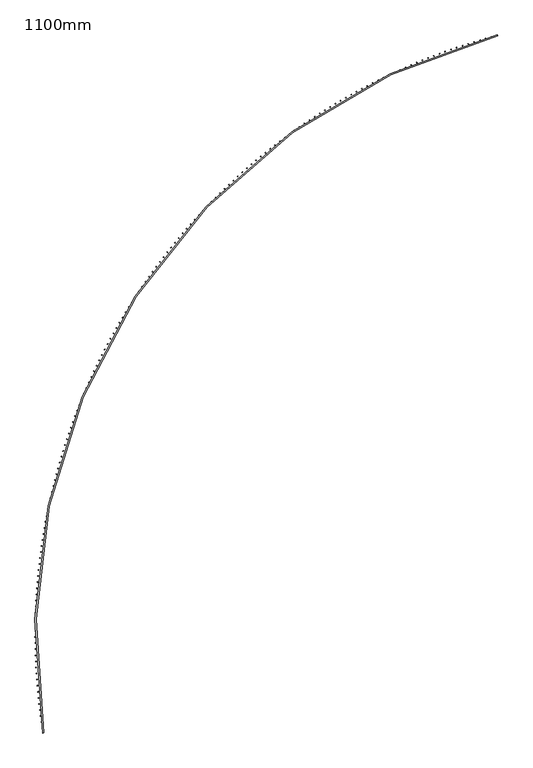
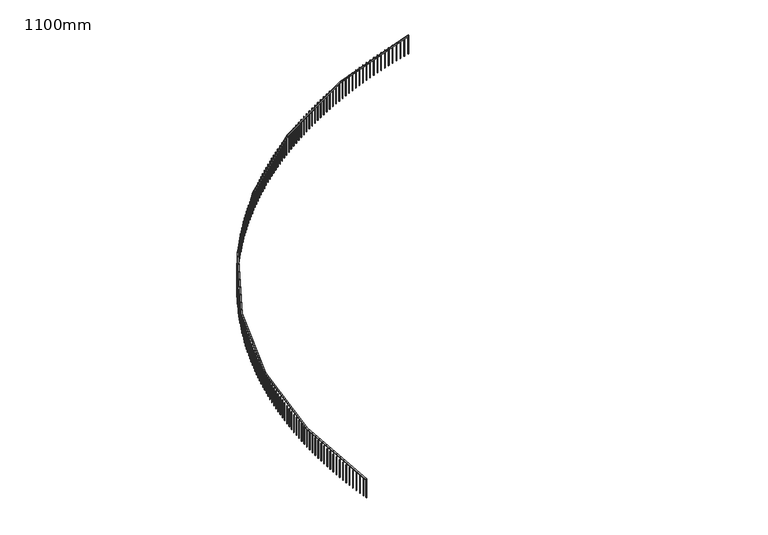
"""IFC4 building model written with IfcOpenShell, lengths in millimetres: railing geometry, 1100mm."""

from ifc_helpers import new_model, si_unit, point, frame, frame_2d, origin, place, context, project, spatial, polyline, circle_curve, trimmed, segment, composite_curve, outline, extrude, source, transform, mapped, element, save


def railing_1100mm_a15e1106(model_context):
    return source(origin(), model_context, "Body", "SweptSolid", [
        extrude(outline(composite_curve([segment(trimmed(circle_curve(frame_2d((-8776.2169486, -53857.0322819)), 27971.5412014), [point((-36394.0287338, -58291.3968787))], [point((-15853.428822, -26795.6171438))], False, "CARTESIAN"), True, "CONTINUOUS"), segment(polyline([(-15853.428822, -26795.6171438), (-15840.7780857, -26843.9902651)]), True, "CONTINUOUS"), segment(trimmed(circle_curve(frame_2d((-8776.2169486, -53857.0322819)), 27921.5412014), [point((-15840.7780857, -26843.9902651))], [point((-36344.6610361, -58283.4703141))], True, "CARTESIAN"), True, "CONTINUOUS"), segment(polyline([(-36344.6610361, -58283.4703141), (-36394.0287338, -58291.3968787)]), True, "CONTINUOUS")], self_intersect=False)), frame((0.0, 0.0, 15650.0), z_axis=(0.0, 0.0, 1.0), x_axis=(1.0, 0.0, 0.0)), (0.0, 0.0, 1.0), 50.0),
        extrude(outline(polyline([(-36418.1953524, -58055.742926), (-36393.4805423, -58051.9775357), (-36389.7151521, -58076.6923458), (-36414.4299622, -58080.4577361), (-36418.1953524, -58055.742926)])), frame((0.0, 0.0, 14600.0), z_axis=(0.0, 0.0, 1.0), x_axis=(1.0, 0.0, 0.0)), (0.0, 0.0, 1.0), 1050.0),
        extrude(outline(polyline([(-36458.1726315, -57783.5410007), (-36433.4219663, -57780.0189879), (-36429.8999535, -57804.7696531), (-36454.6506187, -57808.2916659), (-36458.1726315, -57783.5410007)])), frame((0.0, 0.0, 14600.0), z_axis=(0.0, 0.0, 1.0), x_axis=(1.0, 0.0, 0.0)), (0.0, 0.0, 1.0), 1050.0),
        extrude(outline(polyline([(-36495.4694926, -57510.9588753), (-36470.685369, -57507.6805809), (-36467.4070746, -57532.4647046), (-36492.1911983, -57535.7429989), (-36495.4694926, -57510.9588753)])), frame((0.0, 0.0, 14600.0), z_axis=(0.0, 0.0, 1.0), x_axis=(1.0, 0.0, 0.0)), (0.0, 0.0, 1.0), 1050.0),
        extrude(outline(polyline([(-36530.0823244, -57238.0229435), (-36505.267142, -57234.9886851), (-36502.2328836, -57259.8038674), (-36527.0480659, -57262.8381258), (-36530.0823244, -57238.0229435)])), frame((0.0, 0.0, 14600.0), z_axis=(0.0, 0.0, 1.0), x_axis=(1.0, 0.0, 0.0)), (0.0, 0.0, 1.0), 1050.0),
        extrude(outline(polyline([(-36562.0077752, -56964.7596335), (-36537.1639369, -56961.9697048), (-36534.3740082, -56986.8135431), (-36559.2178464, -56989.6034718), (-36562.0077752, -56964.7596335)])), frame((0.0, 0.0, 14600.0), z_axis=(0.0, 0.0, 1.0), x_axis=(1.0, 0.0, 0.0)), (0.0, 0.0, 1.0), 1050.0),
        extrude(outline(polyline([(-36591.2427537, -56691.1954053), (-36566.3726652, -56688.6500764), (-36563.8273364, -56713.5201649), (-36588.6974249, -56716.0654937), (-36591.2427537, -56691.1954053)])), frame((0.0, 0.0, 14600.0), z_axis=(0.0, 0.0, 1.0), x_axis=(1.0, 0.0, 0.0)), (0.0, 0.0, 1.0), 1050.0),
        extrude(outline(polyline([(-36617.7844292, -56417.3567476), (-36592.8904987, -56415.0562651), (-36590.5900161, -56439.9501957), (-36615.4839467, -56442.2506782), (-36617.7844292, -56417.3567476)])), frame((0.0, 0.0, 14600.0), z_axis=(0.0, 0.0, 1.0), x_axis=(1.0, 0.0, 0.0)), (0.0, 0.0, 1.0), 1050.0),
        extrude(outline(polyline([(-36641.6302317, -56143.2701761), (-36616.7148695, -56141.2147626), (-36614.659456, -56166.1301249), (-36639.5748183, -56168.1855383), (-36641.6302317, -56143.2701761)])), frame((0.0, 0.0, 14600.0), z_axis=(0.0, 0.0, 1.0), x_axis=(1.0, 0.0, 0.0)), (0.0, 0.0, 1.0), 1050.0),
        extrude(outline(polyline([(-36662.7778522, -55868.9622303), (-36637.8434709, -55867.152085), (-36636.0333255, -55892.0864663), (-36660.9677069, -55893.8966117), (-36662.7778522, -55868.9622303)])), frame((0.0, 0.0, 14600.0), z_axis=(0.0, 0.0, 1.0), x_axis=(1.0, 0.0, 0.0)), (0.0, 0.0, 1.0), 1050.0),
        extrude(outline(polyline([(-36681.225243, -55594.4594712), (-36656.2742569, -55592.8947693), (-36654.7095549, -55617.8457554), (-36679.660541, -55619.4104573), (-36681.225243, -55594.4594712)])), frame((0.0, 0.0, 14600.0), z_axis=(0.0, 0.0, 1.0), x_axis=(1.0, 0.0, 0.0)), (0.0, 0.0, 1.0), 1050.0),
        extrude(outline(polyline([(-36696.9706178, -55319.7884787), (-36672.005443, -55318.4693716), (-36670.6863359, -55343.4345465), (-36695.6515107, -55344.7536536), (-36696.9706178, -55319.7884787)])), frame((0.0, 0.0, 14600.0), z_axis=(0.0, 0.0, 1.0), x_axis=(1.0, 0.0, 0.0)), (0.0, 0.0, 1.0), 1050.0),
        extrude(outline(polyline([(-36710.0124521, -55044.9758488), (-36685.0355058, -55043.9024644), (-36683.9621213, -55068.8794106), (-36708.9390676, -55069.9527951), (-36710.0124521, -55044.9758488)])), frame((0.0, 0.0, 14600.0), z_axis=(0.0, 0.0, 1.0), x_axis=(1.0, 0.0, 0.0)), (0.0, 0.0, 1.0), 1050.0),
        extrude(outline(polyline([(-36720.349483, -54770.0481915), (-36695.3631838, -54769.2206336), (-36694.5356258, -54794.2069328), (-36719.521925, -54795.0344907), (-36720.349483, -54770.0481915)])), frame((0.0, 0.0, 14600.0), z_axis=(0.0, 0.0, 1.0), x_axis=(1.0, 0.0, 0.0)), (0.0, 0.0, 1.0), 1050.0),
        extrude(outline(polyline([(-36727.9807095, -54495.0321277), (-36702.9874768, -54494.4504765), (-36702.4058255, -54519.4437092), (-36727.3990583, -54520.0253604), (-36727.9807095, -54495.0321277)])), frame((0.0, 0.0, 14600.0), z_axis=(0.0, 0.0, 1.0), x_axis=(1.0, 0.0, 0.0)), (0.0, 0.0, 1.0), 1050.0),
        extrude(outline(polyline([(-36732.9053928, -54219.954287), (-36707.9076467, -54219.6185987), (-36707.5719584, -54244.6163449), (-36732.5697046, -54244.9520331), (-36732.9053928, -54219.954287)])), frame((0.0, 0.0, 14600.0), z_axis=(0.0, 0.0, 1.0), x_axis=(1.0, 0.0, 0.0)), (0.0, 0.0, 1.0), 1050.0),
        extrude(outline(polyline([(-36735.123056, -53944.8413048), (-36710.1232169, -53944.7516121), (-36710.0335242, -53969.7514512), (-36735.0333633, -53969.8411439), (-36735.123056, -53944.8413048)])), frame((0.0, 0.0, 14600.0), z_axis=(0.0, 0.0, 1.0), x_axis=(1.0, 0.0, 0.0)), (0.0, 0.0, 1.0), 1050.0),
        extrude(outline(polyline([(-36734.6334844, -53669.7198202), (-36709.6339731, -53669.8761317), (-36709.7902845, -53694.875643), (-36734.7897959, -53694.7193316), (-36734.6334844, -53669.7198202)])), frame((0.0, 0.0, 14600.0), z_axis=(0.0, 0.0, 1.0), x_axis=(1.0, 0.0, 0.0)), (0.0, 0.0, 1.0), 1050.0),
        extrude(outline(polyline([(-36731.4367254, -53394.6164729), (-36706.4399625, -53395.0187734), (-36706.842263, -53420.0155363), (-36731.8390259, -53419.6132358), (-36731.4367254, -53394.6164729)])), frame((0.0, 0.0, 14600.0), z_axis=(0.0, 0.0, 1.0), x_axis=(1.0, 0.0, 0.0)), (0.0, 0.0, 1.0), 1050.0),
        extrude(outline(polyline([(-36725.5330885, -53119.5579009), (-36700.5414945, -53120.2061515), (-36701.189745, -53145.1977455), (-36726.181339, -53144.5494949), (-36725.5330885, -53119.5579009)])), frame((0.0, 0.0, 14600.0), z_axis=(0.0, 0.0, 1.0), x_axis=(1.0, 0.0, 0.0)), (0.0, 0.0, 1.0), 1050.0),
        extrude(outline(polyline([(-36716.9231453, -52844.5707378), (-36691.9391401, -52845.4648758), (-36692.833278, -52870.448881), (-36717.8172832, -52869.5547431), (-36716.9231453, -52844.5707378)])), frame((0.0, 0.0, 14600.0), z_axis=(0.0, 0.0, 1.0), x_axis=(1.0, 0.0, 0.0)), (0.0, 0.0, 1.0), 1050.0),
        extrude(outline(polyline([(-36705.6077296, -52569.6816105), (-36680.6337323, -52570.8215491), (-36681.773671, -52595.7955464), (-36706.7476683, -52594.6556078), (-36705.6077296, -52569.6816105)])), frame((0.0, 0.0, 14600.0), z_axis=(0.0, 0.0, 1.0), x_axis=(1.0, 0.0, 0.0)), (0.0, 0.0, 1.0), 1050.0),
        extrude(outline(polyline([(-36691.587937, -52294.9171361), (-36666.6263659, -52296.3027651), (-36668.0119949, -52321.2643362), (-36692.973566, -52319.8787072), (-36691.587937, -52294.9171361)])), frame((0.0, 0.0, 14600.0), z_axis=(0.0, 0.0, 1.0), x_axis=(1.0, 0.0, 0.0)), (0.0, 0.0, 1.0), 1050.0),
        extrude(outline(polyline([(-36674.865125, -52020.3039199), (-36649.9183971, -52021.9351051), (-36651.5495823, -52046.881833), (-36676.4963103, -52045.2506478), (-36674.865125, -52020.3039199)])), frame((0.0, 0.0, 14600.0), z_axis=(0.0, 0.0, 1.0), x_axis=(1.0, 0.0, 0.0)), (0.0, 0.0, 1.0), 1050.0),
        extrude(outline(polyline([(-36655.440913, -51745.8685523), (-36630.5114438, -51747.7451358), (-36632.3880273, -51772.674605), (-36657.3174965, -51770.7980215), (-36655.440913, -51745.8685523)])), frame((0.0, 0.0, 14600.0), z_axis=(0.0, 0.0, 1.0), x_axis=(1.0, 0.0, 0.0)), (0.0, 0.0, 1.0), 1050.0),
        extrude(outline(polyline([(-36633.3171816, -51471.6376068), (-36608.4073851, -51473.7594068), (-36610.5291851, -51498.6692034), (-36635.4389817, -51496.5474034), (-36633.3171816, -51471.6376068)])), frame((0.0, 0.0, 14600.0), z_axis=(0.0, 0.0, 1.0), x_axis=(1.0, 0.0, 0.0)), (0.0, 0.0, 1.0), 1050.0),
        extrude(outline(polyline([(-36608.4960732, -51197.6376368), (-36583.6083613, -51200.004448), (-36585.9751724, -51224.8921599), (-36610.8628843, -51222.5253488), (-36608.4960732, -51197.6376368)])), frame((0.0, 0.0, 14600.0), z_axis=(0.0, 0.0, 1.0), x_axis=(1.0, 0.0, 0.0)), (0.0, 0.0, 1.0), 1050.0),
        extrude(outline(polyline([(-36580.9799912, -50923.8951736), (-36556.1167737, -50926.5067666), (-36558.7283668, -50951.3699841), (-36583.5915842, -50948.758391), (-36580.9799912, -50923.8951736)])), frame((0.0, 0.0, 14600.0), z_axis=(0.0, 0.0, 1.0), x_axis=(1.0, 0.0, 0.0)), (0.0, 0.0, 1.0), 1050.0),
        extrude(outline(polyline([(-36550.7715998, -50650.4367232), (-36525.9352843, -50653.2928453), (-36528.7914064, -50678.1291608), (-36553.6277219, -50675.2730387), (-36550.7715998, -50650.4367232)])), frame((0.0, 0.0, 14600.0), z_axis=(0.0, 0.0, 1.0), x_axis=(1.0, 0.0, 0.0)), (0.0, 0.0, 1.0), 1050.0),
        extrude(outline(polyline([(-36517.8738242, -50377.2887645), (-36493.0668155, -50380.3891391), (-36496.1671901, -50405.1961478), (-36520.9741988, -50402.0957732), (-36517.8738242, -50377.2887645)])), frame((0.0, 0.0, 14600.0), z_axis=(0.0, 0.0, 1.0), x_axis=(1.0, 0.0, 0.0)), (0.0, 0.0, 1.0), 1050.0),
        extrude(outline(polyline([(-36482.2898498, -50104.4777462), (-36457.51455, -50107.822073), (-36460.8588769, -50132.5973728), (-36485.6341766, -50129.2530459), (-36482.2898498, -50104.4777462)])), frame((0.0, 0.0, 14600.0), z_axis=(0.0, 0.0, 1.0), x_axis=(1.0, 0.0, 0.0)), (0.0, 0.0, 1.0), 1050.0),
        extrude(outline(polyline([(-36444.0231222, -49832.0300842), (-36419.2819303, -49835.6180395), (-36422.8698856, -49860.3592314), (-36447.6110775, -49856.7712761), (-36444.0231222, -49832.0300842)])), frame((0.0, 0.0, 14600.0), z_axis=(0.0, 0.0, 1.0), x_axis=(1.0, 0.0, 0.0)), (0.0, 0.0, 1.0), 1050.0),
        extrude(outline(polyline([(-36403.0773466, -49559.9721594), (-36378.3726583, -49563.8033957), (-36382.2038946, -49588.5080841), (-36406.908583, -49584.6768478), (-36403.0773466, -49559.9721594)])), frame((0.0, 0.0, 14600.0), z_axis=(0.0, 0.0, 1.0), x_axis=(1.0, 0.0, 0.0)), (0.0, 0.0, 1.0), 1050.0),
        extrude(outline(polyline([(-36359.456488, -49288.330315), (-36334.7906952, -49292.4044614), (-36338.8648416, -49317.0702541), (-36363.5306344, -49312.9961077), (-36359.456488, -49288.330315)])), frame((0.0, 0.0, 14600.0), z_axis=(0.0, 0.0, 1.0), x_axis=(1.0, 0.0, 0.0)), (0.0, 0.0, 1.0), 1050.0),
        extrude(outline(polyline([(-36313.1647699, -49017.1308537), (-36288.5402612, -49021.4475156), (-36292.8569232, -49046.0720243), (-36317.4814319, -49041.7553624), (-36313.1647699, -49017.1308537)])), frame((0.0, 0.0, 14600.0), z_axis=(0.0, 0.0, 1.0), x_axis=(1.0, 0.0, 0.0)), (0.0, 0.0, 1.0), 1050.0),
        extrude(outline(polyline([(-36264.2066749, -48746.4000355), (-36239.6258345, -48750.958795), (-36244.1845941, -48775.5396354), (-36268.7654344, -48770.9808758), (-36264.2066749, -48746.4000355)])), frame((0.0, 0.0, 14600.0), z_axis=(0.0, 0.0, 1.0), x_axis=(1.0, 0.0, 0.0)), (0.0, 0.0, 1.0), 1050.0),
        extrude(outline(polyline([(-36212.5869434, -48476.1640751), (-36188.0521516, -48480.9644908), (-36192.8525673, -48505.4992826), (-36217.3873591, -48500.6988669), (-36212.5869434, -48476.1640751)])), frame((0.0, 0.0, 14600.0), z_axis=(0.0, 0.0, 1.0), x_axis=(1.0, 0.0, 0.0)), (0.0, 0.0, 1.0), 1050.0),
        extrude(outline(polyline([(-36158.3105737, -48206.4491392), (-36133.8242061, -48211.4907462), (-36138.8658132, -48235.9771138), (-36163.3521808, -48230.9355068), (-36158.3105737, -48206.4491392)])), frame((0.0, 0.0, 14600.0), z_axis=(0.0, 0.0, 1.0), x_axis=(1.0, 0.0, 0.0)), (0.0, 0.0, 1.0), 1050.0),
        extrude(outline(polyline([(-36101.3828215, -47937.2813439), (-36076.9472491, -47942.5636541), (-36082.2295593, -47966.9992265), (-36106.6651317, -47961.7169163), (-36101.3828215, -47937.2813439)])), frame((0.0, 0.0, 14600.0), z_axis=(0.0, 0.0, 1.0), x_axis=(1.0, 0.0, 0.0)), (0.0, 0.0, 1.0), 1050.0),
        extrude(outline(polyline([(-36041.8091989, -47668.6867527), (-36017.4267878, -47674.2092546), (-36022.9492897, -47698.5916657), (-36047.3317008, -47693.0691638), (-36041.8091989, -47668.6867527)])), frame((0.0, 0.0, 14600.0), z_axis=(0.0, 0.0, 1.0), x_axis=(1.0, 0.0, 0.0)), (0.0, 0.0, 1.0), 1050.0),
        extrude(outline(polyline([(-35979.5954744, -47400.6913731), (-35955.2685855, -47406.453532), (-35961.0307443, -47430.7804209), (-35985.3576333, -47425.0182621), (-35979.5954744, -47400.6913731)])), frame((0.0, 0.0, 14600.0), z_axis=(0.0, 0.0, 1.0), x_axis=(1.0, 0.0, 0.0)), (0.0, 0.0, 1.0), 1050.0),
        extrude(outline(polyline([(-35914.7476721, -47133.3211551), (-35890.4786609, -47139.3224129), (-35896.4799188, -47163.5914241), (-35920.74893, -47157.5901662), (-35914.7476721, -47133.3211551)])), frame((0.0, 0.0, 14600.0), z_axis=(0.0, 0.0, 1.0), x_axis=(1.0, 0.0, 0.0)), (0.0, 0.0, 1.0), 1050.0),
        extrude(outline(polyline([(-35847.2720712, -46866.6019877), (-35823.0632877, -46872.8417634), (-35829.3030635, -46897.0505469), (-35853.511847, -46890.8107712), (-35847.2720712, -46866.6019877)])), frame((0.0, 0.0, 14600.0), z_axis=(0.0, 0.0, 1.0), x_axis=(1.0, 0.0, 0.0)), (0.0, 0.0, 1.0), 1050.0),
        extrude(outline(polyline([(-35777.1752052, -46600.5596971), (-35753.0289935, -46607.0373866), (-35759.506683, -46631.1835983), (-35783.6528947, -46624.7059088), (-35777.1752052, -46600.5596971)])), frame((0.0, 0.0, 14600.0), z_axis=(0.0, 0.0, 1.0), x_axis=(1.0, 0.0, 0.0)), (0.0, 0.0, 1.0), 1050.0),
        extrude(outline(polyline([(-35704.4638616, -46335.2200441), (-35680.3825598, -46341.9350201), (-35687.0975358, -46366.0163219), (-35711.1788376, -46359.3013459), (-35704.4638616, -46335.2200441)])), frame((0.0, 0.0, 14600.0), z_axis=(0.0, 0.0, 1.0), x_axis=(1.0, 0.0, 0.0)), (0.0, 0.0, 1.0), 1050.0),
        extrude(outline(polyline([(-35629.1450809, -46070.6087211), (-35605.1310208, -46077.5603334), (-35612.082633, -46101.5743936), (-35636.0966932, -46094.6227813), (-35629.1450809, -46070.6087211)])), frame((0.0, 0.0, 14600.0), z_axis=(0.0, 0.0, 1.0), x_axis=(1.0, 0.0, 0.0)), (0.0, 0.0, 1.0), 1050.0),
        extrude(outline(polyline([(-35551.2261563, -45806.7513503), (-35527.281663, -45813.9389257), (-35534.4692384, -45837.883419), (-35558.4137317, -45830.6958436), (-35551.2261563, -45806.7513503)])), frame((0.0, 0.0, 14600.0), z_axis=(0.0, 0.0, 1.0), x_axis=(1.0, 0.0, 0.0)), (0.0, 0.0, 1.0), 1050.0),
        extrude(outline(polyline([(-35470.7146324, -45543.6734806), (-35446.8420245, -45551.0963232), (-35454.2648671, -45574.9689311), (-35478.137475, -45567.5460885), (-35470.7146324, -45543.6734806)])), frame((0.0, 0.0, 14600.0), z_axis=(0.0, 0.0, 1.0), x_axis=(1.0, 0.0, 0.0)), (0.0, 0.0, 1.0), 1050.0),
        extrude(outline(polyline([(-35387.6183052, -45281.4005858), (-35363.8198943, -45289.0579768), (-35371.4772853, -45312.8563878), (-35395.2756963, -45305.1989967), (-35387.6183052, -45281.4005858)])), frame((0.0, 0.0, 14600.0), z_axis=(0.0, 0.0, 1.0), x_axis=(1.0, 0.0, 0.0)), (0.0, 0.0, 1.0), 1050.0),
        extrude(outline(polyline([(-35301.9452208, -45019.9580614), (-35278.2233112, -45027.8492594), (-35286.1145093, -45051.571169), (-35309.8364188, -45043.6799709), (-35301.9452208, -45019.9580614)])), frame((0.0, 0.0, 14600.0), z_axis=(0.0, 0.0, 1.0), x_axis=(1.0, 0.0, 0.0)), (0.0, 0.0, 1.0), 1050.0),
        extrude(outline(polyline([(-35213.7036748, -44759.3712226), (-35190.0605636, -44767.4954635), (-35198.1848045, -44791.1385748), (-35221.8279158, -44783.0143338), (-35213.7036748, -44759.3712226)])), frame((0.0, 0.0, 14600.0), z_axis=(0.0, 0.0, 1.0), x_axis=(1.0, 0.0, 0.0)), (0.0, 0.0, 1.0), 1050.0),
        extrude(outline(polyline([(-35122.9022117, -44499.6653019), (-35099.3401881, -44508.0217991), (-35107.6966853, -44531.5838226), (-35131.2587088, -44523.2273254), (-35122.9022117, -44499.6653019)])), frame((0.0, 0.0, 14600.0), z_axis=(0.0, 0.0, 1.0), x_axis=(1.0, 0.0, 0.0)), (0.0, 0.0, 1.0), 1050.0),
        extrude(outline(polyline([(-35029.5496235, -44240.8654463), (-35006.0709691, -44249.4533906), (-35014.6589133, -44272.932045), (-35038.1375678, -44264.3441007), (-35029.5496235, -44240.8654463)])), frame((0.0, 0.0, 14600.0), z_axis=(0.0, 0.0, 1.0), x_axis=(1.0, 0.0, 0.0)), (0.0, 0.0, 1.0), 1050.0),
        extrude(outline(polyline([(-34933.6549496, -43982.9967152), (-34910.2619378, -43991.815275), (-34919.0804975, -44015.2082868), (-34942.4735094, -44006.389727), (-34933.6549496, -43982.9967152)])), frame((0.0, 0.0, 14600.0), z_axis=(0.0, 0.0, 1.0), x_axis=(1.0, 0.0, 0.0)), (0.0, 0.0, 1.0), 1050.0),
        extrude(outline(polyline([(-34835.2274753, -43726.0840777), (-34811.9223712, -43735.1323991), (-34820.9706926, -43758.4375033), (-34844.2757968, -43749.3891819), (-34835.2274753, -43726.0840777)])), frame((0.0, 0.0, 14600.0), z_axis=(0.0, 0.0, 1.0), x_axis=(1.0, 0.0, 0.0)), (0.0, 0.0, 1.0), 1050.0),
        extrude(outline(polyline([(-34734.2767314, -43470.1524105), (-34711.0617915, -43479.4296174), (-34720.3389984, -43502.6445573), (-34743.5539383, -43493.3673504), (-34734.2767314, -43470.1524105)])), frame((0.0, 0.0, 14600.0), z_axis=(0.0, 0.0, 1.0), x_axis=(1.0, 0.0, 0.0)), (0.0, 0.0, 1.0), 1050.0),
        extrude(outline(polyline([(-34630.8124927, -43215.2264953), (-34607.689965, -43224.7316893), (-34617.1951591, -43247.854217), (-34640.3176868, -43238.3490229), (-34630.8124927, -43215.2264953)])), frame((0.0, 0.0, 14600.0), z_axis=(0.0, 0.0, 1.0), x_axis=(1.0, 0.0, 0.0)), (0.0, 0.0, 1.0), 1050.0),
        extrude(outline(polyline([(-34524.8447776, -42961.3310161), (-34501.8169011, -42971.063277), (-34511.5491619, -42994.0911535), (-34534.5770385, -42984.3588927), (-34524.8447776, -42961.3310161)])), frame((0.0, 0.0, 14600.0), z_axis=(0.0, 0.0, 1.0), x_axis=(1.0, 0.0, 0.0)), (0.0, 0.0, 1.0), 1050.0),
        extrude(outline(polyline([(-34416.3838469, -42708.4905576), (-34393.4528512, -42718.4489429), (-34403.4112365, -42741.3799386), (-34426.3422322, -42731.4215532), (-34416.3838469, -42708.4905576)])), frame((0.0, 0.0, 14600.0), z_axis=(0.0, 0.0, 1.0), x_axis=(1.0, 0.0, 0.0)), (0.0, 0.0, 1.0), 1050.0),
        extrude(outline(polyline([(-34305.4402026, -42456.729602), (-34282.6083083, -42466.9131475), (-34292.7918538, -42489.7450418), (-34315.6237481, -42479.5614963), (-34305.4402026, -42456.729602)])), frame((0.0, 0.0, 14600.0), z_axis=(0.0, 0.0, 1.0), x_axis=(1.0, 0.0, 0.0)), (0.0, 0.0, 1.0), 1050.0),
        extrude(outline(polyline([(-34192.0245875, -42206.072527), (-34169.2940052, -42216.4802466), (-34179.7017248, -42239.2108289), (-34202.4323071, -42228.8031093), (-34192.0245875, -42206.072527)])), frame((0.0, 0.0, 14600.0), z_axis=(0.0, 0.0, 1.0), x_axis=(1.0, 0.0, 0.0)), (0.0, 0.0, 1.0), 1050.0),
        extrude(outline(polyline([(-34076.1479834, -41956.5436036), (-34053.5209142, -41967.1744896), (-34064.1518001, -41989.8015589), (-34086.7788694, -41979.1706729), (-34076.1479834, -41956.5436036)])), frame((0.0, 0.0, 14600.0), z_axis=(0.0, 0.0, 1.0), x_axis=(1.0, 0.0, 0.0)), (0.0, 0.0, 1.0), 1050.0),
        extrude(outline(polyline([(-33957.8216106, -41708.1669935), (-33935.3002453, -41719.0200164), (-33946.1532683, -41741.5413817), (-33968.6746335, -41730.6883588), (-33957.8216106, -41708.1669935)])), frame((0.0, 0.0, 14600.0), z_axis=(0.0, 0.0, 1.0), x_axis=(1.0, 0.0, 0.0)), (0.0, 0.0, 1.0), 1050.0),
        extrude(outline(polyline([(-33837.0569265, -41460.9667467), (-33814.6434459, -41472.0408557), (-33825.7175549, -41494.4543362), (-33848.1310355, -41483.3802272), (-33837.0569265, -41460.9667467)])), frame((0.0, 0.0, 14600.0), z_axis=(0.0, 0.0, 1.0), x_axis=(1.0, 0.0, 0.0)), (0.0, 0.0, 1.0), 1050.0),
        extrude(outline(polyline([(-33713.8656245, -41214.9667993), (-33691.562199, -41226.2609221), (-33702.8563218, -41248.5643476), (-33725.1597473, -41237.2702249), (-33713.8656245, -41214.9667993)])), frame((0.0, 0.0, 14600.0), z_axis=(0.0, 0.0, 1.0), x_axis=(1.0, 0.0, 0.0)), (0.0, 0.0, 1.0), 1050.0),
        extrude(outline(polyline([(-33588.2596333, -40970.1909714), (-33566.0684224, -40981.7040144), (-33577.5814654, -41003.8952253), (-33599.7726763, -40992.3821823), (-33588.2596333, -40970.1909714)])), frame((0.0, 0.0, 14600.0), z_axis=(0.0, 0.0, 1.0), x_axis=(1.0, 0.0, 0.0)), (0.0, 0.0, 1.0), 1050.0),
        extrude(outline(polyline([(-33460.2511151, -40726.6629643), (-33438.1742676, -40738.3938127), (-33449.9051159, -40760.4706602), (-33471.9819634, -40748.7398118), (-33460.2511151, -40726.6629643)])), frame((0.0, 0.0, 14600.0), z_axis=(0.0, 0.0, 1.0), x_axis=(1.0, 0.0, 0.0)), (0.0, 0.0, 1.0), 1050.0),
        extrude(outline(polyline([(-33329.8524649, -40484.4063586), (-33307.8921184, -40496.3538765), (-33319.8396362, -40518.314223), (-33341.7999827, -40506.3667051), (-33329.8524649, -40484.4063586)])), frame((0.0, 0.0, 14600.0), z_axis=(0.0, 0.0, 1.0), x_axis=(1.0, 0.0, 0.0)), (0.0, 0.0, 1.0), 1050.0),
        extrude(outline(polyline([(-33197.076309, -40243.4446119), (-33175.23459, -40255.6076424), (-33187.3976205, -40277.4493614), (-33209.2393395, -40265.2863309), (-33197.076309, -40243.4446119)])), frame((0.0, 0.0, 14600.0), z_axis=(0.0, 0.0, 1.0), x_axis=(1.0, 0.0, 0.0)), (0.0, 0.0, 1.0), 1050.0),
        extrude(outline(polyline([(-33061.9355041, -40003.8010561), (-33040.2145274, -40016.1784215), (-33052.5918928, -40037.8993982), (-33074.3128694, -40025.5220328), (-33061.9355041, -40003.8010561)])), frame((0.0, 0.0, 14600.0), z_axis=(0.0, 0.0, 1.0), x_axis=(1.0, 0.0, 0.0)), (0.0, 0.0, 1.0), 1050.0),
        extrude(outline(polyline([(-32924.4431356, -39765.4988959), (-32902.8450046, -39778.0893976), (-32915.4355063, -39799.6875287), (-32937.0336374, -39787.0970269), (-32924.4431356, -39765.4988959)])), frame((0.0, 0.0, 14600.0), z_axis=(0.0, 0.0, 1.0), x_axis=(1.0, 0.0, 0.0)), (0.0, 0.0, 1.0), 1050.0),
        extrude(outline(polyline([(-32784.6125169, -39528.5612056), (-32763.1393228, -39541.3636247), (-32775.9417419, -39562.8368188), (-32797.414936, -39550.0343998), (-32784.6125169, -39528.5612056)])), frame((0.0, 0.0, 14600.0), z_axis=(0.0, 0.0, 1.0), x_axis=(1.0, 0.0, 0.0)), (0.0, 0.0, 1.0), 1050.0),
        extrude(outline(polyline([(-32642.4571877, -39293.0109279), (-32621.1110097, -39306.0240246), (-32634.1241064, -39327.3702026), (-32655.4702844, -39314.3571059), (-32642.4571877, -39293.0109279)])), frame((0.0, 0.0, 14600.0), z_axis=(0.0, 0.0, 1.0), x_axis=(1.0, 0.0, 0.0)), (0.0, 0.0, 1.0), 1050.0),
        extrude(outline(polyline([(-32497.9909126, -39058.8708708), (-32476.7738177, -39072.0933851), (-32489.996332, -39093.31048), (-32511.2134269, -39080.0879657), (-32497.9909126, -39058.8708708)])), frame((0.0, 0.0, 14600.0), z_axis=(0.0, 0.0, 1.0), x_axis=(1.0, 0.0, 0.0)), (0.0, 0.0, 1.0), 1050.0),
        extrude(outline(polyline([(-32351.2276803, -38826.1637059), (-32330.1417229, -38839.5943574), (-32343.5723745, -38860.6803148), (-32364.6583318, -38847.2496633), (-32351.2276803, -38826.1637059)])), frame((0.0, 0.0, 14600.0), z_axis=(0.0, 0.0, 1.0), x_axis=(1.0, 0.0, 0.0)), (0.0, 0.0, 1.0), 1050.0),
        extrude(outline(polyline([(-32202.1817017, -38594.911966), (-32181.2289235, -38608.5494543), (-32194.8664118, -38629.5022324), (-32215.81919, -38615.8647441), (-32202.1817017, -38594.911966)])), frame((0.0, 0.0, 14600.0), z_axis=(0.0, 0.0, 1.0), x_axis=(1.0, 0.0, 0.0)), (0.0, 0.0, 1.0), 1050.0),
        extrude(outline(polyline([(-32050.8674087, -38365.1380429), (-32030.0498386, -38378.9810475), (-32043.8928432, -38399.7986176), (-32064.7104133, -38385.955613), (-32050.8674087, -38365.1380429)])), frame((0.0, 0.0, 14600.0), z_axis=(0.0, 0.0, 1.0), x_axis=(1.0, 0.0, 0.0)), (0.0, 0.0, 1.0), 1050.0),
        extrude(outline(polyline([(-31897.2994529, -38136.8641856), (-31876.6191067, -38150.9113661), (-31890.6662872, -38171.5917123), (-31911.3466334, -38157.5445318), (-31897.2994529, -38136.8641856)])), frame((0.0, 0.0, 14600.0), z_axis=(0.0, 0.0, 1.0), x_axis=(1.0, 0.0, 0.0)), (0.0, 0.0, 1.0), 1050.0),
        extrude(outline(polyline([(-31741.4927044, -37910.1124975), (-31720.9515844, -37924.3624937), (-31735.2015806, -37944.9036136), (-31755.7427005, -37930.6536174), (-31741.4927044, -37910.1124975)])), frame((0.0, 0.0, 14600.0), z_axis=(0.0, 0.0, 1.0), x_axis=(1.0, 0.0, 0.0)), (0.0, 0.0, 1.0), 1050.0),
        extrude(outline(polyline([(-31583.4622495, -37684.9049347), (-31563.0623448, -37699.3563668), (-31577.5137769, -37719.7562715), (-31597.9136816, -37705.3048394), (-31583.4622495, -37684.9049347)])), frame((0.0, 0.0, 14600.0), z_axis=(0.0, 0.0, 1.0), x_axis=(1.0, 0.0, 0.0)), (0.0, 0.0, 1.0), 1050.0),
        extrude(outline(polyline([(-31423.2233904, -37461.263304), (-31402.9666763, -37475.9147727), (-31417.6181449, -37496.1714868), (-31437.874859, -37481.5200181), (-31423.2233904, -37461.263304)])), frame((0.0, 0.0, 14600.0), z_axis=(0.0, 0.0, 1.0), x_axis=(1.0, 0.0, 0.0)), (0.0, 0.0, 1.0), 1050.0),
        extrude(outline(polyline([(-31260.7916427, -37239.2092603), (-31240.6800806, -37254.0593469), (-31255.5301671, -37274.170909), (-31275.6417292, -37259.3208224), (-31260.7916427, -37239.2092603)])), frame((0.0, 0.0, 14600.0), z_axis=(0.0, 0.0, 1.0), x_axis=(1.0, 0.0, 0.0)), (0.0, 0.0, 1.0), 1050.0),
        extrude(outline(polyline([(-31096.1827346, -37018.764305), (-31076.2182719, -37033.8115715), (-31091.2655383, -37053.7760342), (-31111.2300011, -37038.7287677), (-31096.1827346, -37018.764305)])), frame((0.0, 0.0, 14600.0), z_axis=(0.0, 0.0, 1.0), x_axis=(1.0, 0.0, 0.0)), (0.0, 0.0, 1.0), 1050.0),
        extrude(outline(polyline([(-30929.412605, -36799.9497834), (-30909.5971748, -36815.1927729), (-30924.8401642, -36835.008203), (-30944.6555944, -36819.7652136), (-30929.412605, -36799.9497834)])), frame((0.0, 0.0, 14600.0), z_axis=(0.0, 0.0, 1.0), x_axis=(1.0, 0.0, 0.0)), (0.0, 0.0, 1.0), 1050.0),
        extrude(outline(polyline([(-30760.4974021, -36582.7868833), (-30740.8329231, -36598.2241197), (-30756.2701596, -36617.8885986), (-30775.9346385, -36602.4513622), (-30760.4974021, -36582.7868833)])), frame((0.0, 0.0, 14600.0), z_axis=(0.0, 0.0, 1.0), x_axis=(1.0, 0.0, 0.0)), (0.0, 0.0, 1.0), 1050.0),
        extrude(outline(polyline([(-30589.4534818, -36367.2966322), (-30569.9418582, -36382.9266208), (-30585.5718468, -36402.4382444), (-30605.0834704, -36386.8082558), (-30589.4534818, -36367.2966322)])), frame((0.0, 0.0, 14600.0), z_axis=(0.0, 0.0, 1.0), x_axis=(1.0, 0.0, 0.0)), (0.0, 0.0, 1.0), 1050.0),
        extrude(outline(polyline([(-30416.2974061, -36153.499896), (-30396.9405272, -36169.3211234), (-30412.7617546, -36188.6780023), (-30432.1186335, -36172.8567749), (-30416.2974061, -36153.499896)])), frame((0.0, 0.0, 14600.0), z_axis=(0.0, 0.0, 1.0), x_axis=(1.0, 0.0, 0.0)), (0.0, 0.0, 1.0), 1050.0),
        extrude(outline(polyline([(-30241.0459417, -35941.4173762), (-30221.8456816, -35957.4283105), (-30237.8566158, -35976.6285705), (-30257.0568759, -35960.6176363), (-30241.0459417, -35941.4173762)])), frame((0.0, 0.0, 14600.0), z_axis=(0.0, 0.0, 1.0), x_axis=(1.0, 0.0, 0.0)), (0.0, 0.0, 1.0), 1050.0),
        extrude(outline(polyline([(-30063.7160578, -35731.0696088), (-30044.6742758, -35747.2686995), (-30060.8733665, -35766.3104815), (-30079.9151485, -35750.1113908), (-30063.7160578, -35731.0696088)])), frame((0.0, 0.0, 14600.0), z_axis=(0.0, 0.0, 1.0), x_axis=(1.0, 0.0, 0.0)), (0.0, 0.0, 1.0), 1050.0),
        extrude(outline(polyline([(-29884.3249252, -35522.4769615), (-29865.4434651, -35538.8626402), (-29881.8291438, -35557.7441002), (-29900.7106039, -35541.3584216), (-29884.3249252, -35522.4769615)])), frame((0.0, 0.0, 14600.0), z_axis=(0.0, 0.0, 1.0), x_axis=(1.0, 0.0, 0.0)), (0.0, 0.0, 1.0), 1050.0),
        extrude(outline(polyline([(-29702.8899142, -35315.6596321), (-29684.1706043, -35332.2303121), (-29700.7412843, -35350.949622), (-29719.4605942, -35334.378942), (-29702.8899142, -35315.6596321)])), frame((0.0, 0.0, 14600.0), z_axis=(0.0, 0.0, 1.0), x_axis=(1.0, 0.0, 0.0)), (0.0, 0.0, 1.0), 1050.0),
        extrude(outline(polyline([(-29519.428593, -35110.6376465), (-29500.8732457, -35127.3917233), (-29517.6273226, -35145.9470705), (-29536.1826698, -35129.1929937), (-29519.428593, -35110.6376465)])), frame((0.0, 0.0, 14600.0), z_axis=(0.0, 0.0, 1.0), x_axis=(1.0, 0.0, 0.0)), (0.0, 0.0, 1.0), 1050.0),
        extrude(outline(polyline([(-29333.9587258, -34907.4308568), (-29315.5691381, -34924.3667082), (-29332.5049894, -34942.756296), (-29350.8945772, -34925.8204446), (-29333.9587258, -34907.4308568)])), frame((0.0, 0.0, 14600.0), z_axis=(0.0, 0.0, 1.0), x_axis=(1.0, 0.0, 0.0)), (0.0, 0.0, 1.0), 1050.0),
        extrude(outline(polyline([(-29146.4982718, -34706.0589394), (-29128.276224, -34723.1749254), (-29145.39221, -34741.3969731), (-29163.6142578, -34724.2809871), (-29146.4982718, -34706.0589394)])), frame((0.0, 0.0, 14600.0), z_axis=(0.0, 0.0, 1.0), x_axis=(1.0, 0.0, 0.0)), (0.0, 0.0, 1.0), 1050.0),
        extrude(outline(polyline([(-28957.0653823, -34506.5413929), (-28939.0126391, -34523.8358562), (-28956.3071024, -34541.8885995), (-28974.3598456, -34524.5941361), (-28957.0653823, -34506.5413929)])), frame((0.0, 0.0, 14600.0), z_axis=(0.0, 0.0, 1.0), x_axis=(1.0, 0.0, 0.0)), (0.0, 0.0, 1.0), 1050.0),
        extrude(outline(polyline([(-28765.6784001, -34308.8975364), (-28747.7967094, -34326.3688025), (-28765.2679755, -34344.2504932), (-28783.1496662, -34326.7792271), (-28765.6784001, -34308.8975364)])), frame((0.0, 0.0, 14600.0), z_axis=(0.0, 0.0, 1.0), x_axis=(1.0, 0.0, 0.0)), (0.0, 0.0, 1.0), 1050.0),
        extrude(outline(polyline([(-28572.355857, -34113.1465076), (-28554.6469503, -34130.7928846), (-28572.2933273, -34148.5017913), (-28590.002234, -34130.8554143), (-28572.355857, -34113.1465076)])), frame((0.0, 0.0, 14600.0), z_axis=(0.0, 0.0, 1.0), x_axis=(1.0, 0.0, 0.0)), (0.0, 0.0, 1.0), 1050.0),
        extrude(outline(polyline([(-28377.1164722, -33919.3072608), (-28359.5820642, -33937.1270402), (-28377.4018435, -33954.6614482), (-28394.9362515, -33936.8416688), (-28377.1164722, -33919.3072608)])), frame((0.0, 0.0, 14600.0), z_axis=(0.0, 0.0, 1.0), x_axis=(1.0, 0.0, 0.0)), (0.0, 0.0, 1.0), 1050.0),
        extrude(outline(polyline([(-28179.9791505, -33727.3985654), (-28162.6209391, -33745.3900216), (-28180.6123953, -33762.748233), (-28197.9706067, -33744.7567768), (-28179.9791505, -33727.3985654)])), frame((0.0, 0.0, 14600.0), z_axis=(0.0, 0.0, 1.0), x_axis=(1.0, 0.0, 0.0)), (0.0, 0.0, 1.0), 1050.0),
        extrude(outline(polyline([(-27980.9629806, -33537.4390036), (-27963.7826466, -33555.6003946), (-27981.9440375, -33572.7807286), (-27999.1243716, -33554.6193377), (-27980.9629806, -33537.4390036)])), frame((0.0, 0.0, 14600.0), z_axis=(0.0, 0.0, 1.0), x_axis=(1.0, 0.0, 0.0)), (0.0, 0.0, 1.0), 1050.0),
        extrude(outline(polyline([(-27780.0872331, -33349.4469692), (-27763.0864399, -33367.7765363), (-27781.4160071, -33384.7773295), (-27798.4168002, -33366.4477623), (-27780.0872331, -33349.4469692)])), frame((0.0, 0.0, 14600.0), z_axis=(0.0, 0.0, 1.0), x_axis=(1.0, 0.0, 0.0)), (0.0, 0.0, 1.0), 1050.0),
        extrude(outline(polyline([(-27577.3713585, -33163.4406651), (-27560.5517524, -33181.9366336), (-27579.0477209, -33198.7562397), (-27595.867327, -33180.2602712), (-27577.3713585, -33163.4406651)])), frame((0.0, 0.0, 14600.0), z_axis=(0.0, 0.0, 1.0), x_axis=(1.0, 0.0, 0.0)), (0.0, 0.0, 1.0), 1050.0),
        extrude(outline(polyline([(-27372.8349857, -32979.4381022), (-27356.1981953, -32998.0986811), (-27374.8587742, -33014.7354715), (-27391.4955646, -32996.0748926), (-27372.8349857, -32979.4381022)])), frame((0.0, 0.0, 14600.0), z_axis=(0.0, 0.0, 1.0), x_axis=(1.0, 0.0, 0.0)), (0.0, 0.0, 1.0), 1050.0),
        extrude(outline(polyline([(-27166.4979196, -32797.4570973), (-27150.0455558, -32816.2804797), (-27168.8689383, -32832.7328435), (-27185.321302, -32813.9094611), (-27166.4979196, -32797.4570973)])), frame((0.0, 0.0, 14600.0), z_axis=(0.0, 0.0, 1.0), x_axis=(1.0, 0.0, 0.0)), (0.0, 0.0, 1.0), 1050.0),
        extrude(outline(polyline([(-26958.3801398, -32617.5152714), (-26942.1137957, -32636.4996347), (-26961.098159, -32652.7659788), (-26977.3645031, -32633.7816155), (-26958.3801398, -32617.5152714)])), frame((0.0, 0.0, 14600.0), z_axis=(0.0, 0.0, 1.0), x_axis=(1.0, 0.0, 0.0)), (0.0, 0.0, 1.0), 1050.0),
        extrude(outline(polyline([(-26748.5017981, -32439.6300482), (-26732.4230487, -32458.7735542), (-26751.5665547, -32474.8523035), (-26767.645304, -32455.7087975), (-26748.5017981, -32439.6300482)])), frame((0.0, 0.0, 14600.0), z_axis=(0.0, 0.0, 1.0), x_axis=(1.0, 0.0, 0.0)), (0.0, 0.0, 1.0), 1050.0),
        extrude(outline(polyline([(-26536.8832167, -32263.8186521), (-26520.993619, -32283.119447), (-26540.294414, -32299.0090447), (-26556.1840116, -32279.7082498), (-26536.8832167, -32263.8186521)])), frame((0.0, 0.0, 14600.0), z_axis=(0.0, 0.0, 1.0), x_axis=(1.0, 0.0, 0.0)), (0.0, 0.0, 1.0), 1050.0),
        extrude(outline(polyline([(-26323.5448866, -32090.0981067), (-26307.8459791, -32109.5543218), (-26327.3021942, -32125.2532293), (-26343.0011017, -32105.7970142), (-26323.5448866, -32090.0981067)])), frame((0.0, 0.0, 14600.0), z_axis=(0.0, 0.0, 1.0), x_axis=(1.0, 0.0, 0.0)), (0.0, 0.0, 1.0), 1050.0),
        extrude(outline(polyline([(-26108.5074651, -31918.4852333), (-26093.0007679, -31938.0949846), (-26112.6105192, -31953.6016817), (-26128.1172163, -31933.9919305), (-26108.5074651, -31918.4852333)])), frame((0.0, 0.0, 14600.0), z_axis=(0.0, 0.0, 1.0), x_axis=(1.0, 0.0, 0.0)), (0.0, 0.0, 1.0), 1050.0),
        extrude(outline(polyline([(-25891.791774, -31748.996649), (-25876.4787887, -31768.7580376), (-25896.2401773, -31784.071023), (-25911.5531626, -31764.3096344), (-25891.791774, -31748.996649)])), frame((0.0, 0.0, 14600.0), z_axis=(0.0, 0.0, 1.0), x_axis=(1.0, 0.0, 0.0)), (0.0, 0.0, 1.0), 1050.0),
        extrude(outline(polyline([(-25673.4187978, -31581.6487652), (-25658.301007, -31601.5598777), (-25678.2121196, -31616.6776685), (-25693.3299103, -31596.766556), (-25673.4187978, -31581.6487652)])), frame((0.0, 0.0, 14600.0), z_axis=(0.0, 0.0, 1.0), x_axis=(1.0, 0.0, 0.0)), (0.0, 0.0, 1.0), 1050.0),
        extrude(outline(polyline([(-25453.4096813, -31416.457786), (-25438.4885489, -31436.5166944), (-25458.5474574, -31451.4378268), (-25473.4685897, -31431.3789183), (-25453.4096813, -31416.457786)])), frame((0.0, 0.0, 14600.0), z_axis=(0.0, 0.0, 1.0), x_axis=(1.0, 0.0, 0.0)), (0.0, 0.0, 1.0), 1050.0),
        extrude(outline(polyline([(-25231.7857277, -31253.4397067), (-25217.0626985, -31273.6444688), (-25237.2674606, -31288.367498), (-25251.9904898, -31268.1627359), (-25231.7857277, -31253.4397067)])), frame((0.0, 0.0, 14600.0), z_axis=(0.0, 0.0, 1.0), x_axis=(1.0, 0.0, 0.0)), (0.0, 0.0, 1.0), 1050.0),
        extrude(outline(polyline([(-25008.5683967, -31092.6103122), (-24994.0448964, -31112.9589716), (-25014.3935558, -31127.4824719), (-25028.9170561, -31107.1338126), (-25008.5683967, -31092.6103122)])), frame((0.0, 0.0, 14600.0), z_axis=(0.0, 0.0, 1.0), x_axis=(1.0, 0.0, 0.0)), (0.0, 0.0, 1.0), 1050.0),
        extrude(outline(polyline([(-24783.7793023, -30933.9851755), (-24769.4567371, -30954.4757618), (-24789.9473233, -30968.798327), (-24804.2698886, -30948.3077407), (-24783.7793023, -30933.9851755)])), frame((0.0, 0.0, 14600.0), z_axis=(0.0, 0.0, 1.0), x_axis=(1.0, 0.0, 0.0)), (0.0, 0.0, 1.0), 1050.0),
        extrude(outline(polyline([(-24557.4402105, -30777.5796561), (-24543.3199673, -30798.2101852), (-24563.9504963, -30812.3304284), (-24578.0707396, -30791.6998994), (-24557.4402105, -30777.5796561)])), frame((0.0, 0.0, 14600.0), z_axis=(0.0, 0.0, 1.0), x_axis=(1.0, 0.0, 0.0)), (0.0, 0.0, 1.0), 1050.0),
        extrude(outline(polyline([(-24329.5730376, -30623.4088986), (-24315.6564835, -30644.1773728), (-24336.4249578, -30658.0939269), (-24350.3415119, -30637.3254526), (-24329.5730376, -30623.4088986)])), frame((0.0, 0.0, 14600.0), z_axis=(0.0, 0.0, 1.0), x_axis=(1.0, 0.0, 0.0)), (0.0, 0.0, 1.0), 1050.0),
        extrude(outline(polyline([(-24100.1998477, -30471.4878312), (-24086.4883304, -30492.3922396), (-24107.3927388, -30506.1037569), (-24121.1042562, -30485.1993485), (-24100.1998477, -30471.4878312)])), frame((0.0, 0.0, 14600.0), z_axis=(0.0, 0.0, 1.0), x_axis=(1.0, 0.0, 0.0)), (0.0, 0.0, 1.0), 1050.0),
        extrude(outline(polyline([(-23869.3428508, -30321.8311642), (-23855.8376979, -30342.8694827), (-23876.8760164, -30356.3746356), (-23890.3811693, -30335.3363171), (-23869.3428508, -30321.8311642)])), frame((0.0, 0.0, 14600.0), z_axis=(0.0, 0.0, 1.0), x_axis=(1.0, 0.0, 0.0)), (0.0, 0.0, 1.0), 1050.0),
        extrude(outline(polyline([(-23637.0244006, -30174.4533889), (-23623.7269198, -30195.6235803), (-23644.8971112, -30208.9210611), (-23658.194592, -30187.7508697), (-23637.0244006, -30174.4533889)])), frame((0.0, 0.0, 14600.0), z_axis=(0.0, 0.0, 1.0), x_axis=(1.0, 0.0, 0.0)), (0.0, 0.0, 1.0), 1050.0),
        extrude(outline(polyline([(-23403.2669923, -30029.3687756), (-23390.1784711, -30050.66879), (-23411.4784856, -30063.7573111), (-23424.5670067, -30042.4572967), (-23403.2669923, -30029.3687756)])), frame((0.0, 0.0, 14600.0), z_axis=(0.0, 0.0, 1.0), x_axis=(1.0, 0.0, 0.0)), (0.0, 0.0, 1.0), 1050.0),
        extrude(outline(polyline([(-23168.0932603, -29886.5913728), (-23155.2149662, -29908.0191478), (-23176.6427412, -29920.8974418), (-23189.5210353, -29899.4696668), (-23168.0932603, -29886.5913728)])), frame((0.0, 0.0, 14600.0), z_axis=(0.0, 0.0, 1.0), x_axis=(1.0, 0.0, 0.0)), (0.0, 0.0, 1.0), 1050.0),
        extrude(outline(polyline([(-22931.5259763, -29746.1350054), (-22918.8591563, -29767.6884661), (-22940.412617, -29780.3552862), (-22953.0794371, -29758.8018254), (-22931.5259763, -29746.1350054)])), frame((0.0, 0.0, 14600.0), z_axis=(0.0, 0.0, 1.0), x_axis=(1.0, 0.0, 0.0)), (0.0, 0.0, 1.0), 1050.0),
        extrude(outline(polyline([(-22693.588047, -29608.0132737), (-22681.1339275, -29629.6903332), (-22702.810987, -29642.1444527), (-22715.2651065, -29620.4673932), (-22693.588047, -29608.0132737)])), frame((0.0, 0.0, 14600.0), z_axis=(0.0, 0.0, 1.0), x_axis=(1.0, 0.0, 0.0)), (0.0, 0.0, 1.0), 1050.0),
        extrude(outline(polyline([(-22454.3025116, -29472.239552), (-22442.0622986, -29494.0381112), (-22463.8608578, -29506.2783243), (-22476.1010708, -29484.479765), (-22454.3025116, -29472.239552)])), frame((0.0, 0.0, 14600.0), z_axis=(0.0, 0.0, 1.0), x_axis=(1.0, 0.0, 0.0)), (0.0, 0.0, 1.0), 1050.0),
        extrude(outline(polyline([(-22213.6925399, -29338.826987), (-22201.6674185, -29360.7449353), (-22223.5853668, -29372.7700566), (-22235.6104882, -29350.8521084), (-22213.6925399, -29338.826987)])), frame((0.0, 0.0, 14600.0), z_axis=(0.0, 0.0, 1.0), x_axis=(1.0, 0.0, 0.0)), (0.0, 0.0, 1.0), 1050.0),
        extrude(outline(polyline([(-21971.78143, -29207.788497), (-21959.9725647, -29229.823712), (-21982.0077797, -29241.6325773), (-21993.816645, -29219.5973623), (-21971.78143, -29207.788497)])), frame((0.0, 0.0, 14600.0), z_axis=(0.0, 0.0, 1.0), x_axis=(1.0, 0.0, 0.0)), (0.0, 0.0, 1.0), 1050.0),
        extrude(outline(polyline([(-21728.5926058, -29079.1367703), (-21717.00114, -29101.2871184), (-21739.1514881, -29112.8785842), (-21750.7429539, -29090.7282361), (-21728.5926058, -29079.1367703)])), frame((0.0, 0.0, 14600.0), z_axis=(0.0, 0.0, 1.0), x_axis=(1.0, 0.0, 0.0)), (0.0, 0.0, 1.0), 1050.0),
        extrude(outline(polyline([(-21484.1496152, -28952.8842642), (-21472.7766713, -28975.1476005), (-21495.0400077, -28986.5205445), (-21506.4129516, -28964.2572081), (-21484.1496152, -28952.8842642)])), frame((0.0, 0.0, 14600.0), z_axis=(0.0, 0.0, 1.0), x_axis=(1.0, 0.0, 0.0)), (0.0, 0.0, 1.0), 1050.0),
        extrude(outline(polyline([(-21238.4761273, -28829.0432034), (-21227.3228065, -28851.4173724), (-21249.6969754, -28862.5706932), (-21260.8502963, -28840.1965243), (-21238.4761273, -28829.0432034)])), frame((0.0, 0.0, 14600.0), z_axis=(0.0, 0.0, 1.0), x_axis=(1.0, 0.0, 0.0)), (0.0, 0.0, 1.0), 1050.0),
        extrude(outline(polyline([(-20991.5959305, -28707.6255796), (-20980.6633128, -28730.1084146), (-21003.1461478, -28741.0410323), (-21014.0787655, -28718.5581973), (-20991.5959305, -28707.6255796)])), frame((0.0, 0.0, 14600.0), z_axis=(0.0, 0.0, 1.0), x_axis=(1.0, 0.0, 0.0)), (0.0, 0.0, 1.0), 1050.0),
        extrude(outline(polyline([(-20743.5329299, -28588.6431494), (-20732.8220738, -28611.2324734), (-20755.4113979, -28621.9433295), (-20766.122254, -28599.3540054), (-20743.5329299, -28588.6431494)])), frame((0.0, 0.0, 14600.0), z_axis=(0.0, 0.0, 1.0), x_axis=(1.0, 0.0, 0.0)), (0.0, 0.0, 1.0), 1050.0),
        extrude(outline(polyline([(-20494.3111453, -28472.1074337), (-20483.823088, -28494.8010596), (-20506.5167139, -28505.2891168), (-20517.0047711, -28482.595491), (-20494.3111453, -28472.1074337)])), frame((0.0, 0.0, 14600.0), z_axis=(0.0, 0.0, 1.0), x_axis=(1.0, 0.0, 0.0)), (0.0, 0.0, 1.0), 1050.0),
        extrude(outline(polyline([(-20243.9547085, -28358.0297167), (-20233.6904655, -28380.8254469), (-20256.4861958, -28391.0896898), (-20266.7504387, -28368.2939596), (-20243.9547085, -28358.0297167)])), frame((0.0, 0.0, 14600.0), z_axis=(0.0, 0.0, 1.0), x_axis=(1.0, 0.0, 0.0)), (0.0, 0.0, 1.0), 1050.0),
        extrude(outline(polyline([(-19992.4878613, -28246.4210443), (-19982.4484266, -28269.3166716), (-20005.3440539, -28279.3561063), (-20015.3834886, -28256.460479), (-19992.4878613, -28246.4210443)])), frame((0.0, 0.0, 14600.0), z_axis=(0.0, 0.0, 1.0), x_axis=(1.0, 0.0, 0.0)), (0.0, 0.0, 1.0), 1050.0),
        extrude(outline(polyline([(-19739.9349531, -28137.2922236), (-19730.1212987, -28160.285531), (-19753.1146062, -28170.0991854), (-19762.9282605, -28147.1058779), (-19739.9349531, -28137.2922236)])), frame((0.0, 0.0, 14600.0), z_axis=(0.0, 0.0, 1.0), x_axis=(1.0, 0.0, 0.0)), (0.0, 0.0, 1.0), 1050.0),
        extrude(outline(polyline([(-19486.3204382, -28030.6538213), (-19476.7335145, -28053.7425825), (-19499.8222756, -28063.3295062), (-19509.4091994, -28040.2407451), (-19486.3204382, -28030.6538213)])), frame((0.0, 0.0, 14600.0), z_axis=(0.0, 0.0, 1.0), x_axis=(1.0, 0.0, 0.0)), (0.0, 0.0, 1.0), 1050.0),
        extrude(outline(polyline([(-19231.6688741, -27926.5161632), (-19222.3096092, -27949.6981424), (-19245.4915884, -27959.0574073), (-19254.8508533, -27935.8754281), (-19231.6688741, -27926.5161632)])), frame((0.0, 0.0, 14600.0), z_axis=(0.0, 0.0, 1.0), x_axis=(1.0, 0.0, 0.0)), (0.0, 0.0, 1.0), 1050.0),
        extrude(outline(polyline([(-18976.0049182, -27824.8893328), (-18966.8742185, -27848.1622853), (-18990.1471711, -27857.2929851), (-18999.2778708, -27834.0200325), (-18976.0049182, -27824.8893328)])), frame((0.0, 0.0, 14600.0), z_axis=(0.0, 0.0, 1.0), x_axis=(1.0, 0.0, 0.0)), (0.0, 0.0, 1.0), 1050.0),
        extrude(outline(polyline([(-18719.3533264, -27725.7831705), (-18710.4520759, -27749.1448429), (-18733.8137484, -27758.0460935), (-18742.7149989, -27734.684421), (-18719.3533264, -27725.7831705)])), frame((0.0, 0.0, 14600.0), z_axis=(0.0, 0.0, 1.0), x_axis=(1.0, 0.0, 0.0)), (0.0, 0.0, 1.0), 1050.0),
        extrude(outline(polyline([(-18461.73895, -27629.2072728), (-18453.0680106, -27652.655403), (-18476.5161408, -27661.3263424), (-18485.1870802, -27637.8782122), (-18461.73895, -27629.2072728)])), frame((0.0, 0.0, 14600.0), z_axis=(0.0, 0.0, 1.0), x_axis=(1.0, 0.0, 0.0)), (0.0, 0.0, 1.0), 1050.0),
        extrude(outline(polyline([(-18203.1867335, -27535.1709909), (-18194.7469449, -27558.7033084), (-18218.2792624, -27567.143097), (-18226.719051, -27543.6107795), (-18203.1867335, -27535.1709909)])), frame((0.0, 0.0, 14600.0), z_axis=(0.0, 0.0, 1.0), x_axis=(1.0, 0.0, 0.0)), (0.0, 0.0, 1.0), 1050.0),
        extrude(outline(polyline([(-17943.7217123, -27443.6834303), (-17935.5138916, -27467.2976565), (-17959.1281178, -27475.5054772), (-17967.3359385, -27451.891251), (-17943.7217123, -27443.6834303)])), frame((0.0, 0.0, 14600.0), z_axis=(0.0, 0.0, 1.0), x_axis=(1.0, 0.0, 0.0)), (0.0, 0.0, 1.0), 1050.0),
        extrude(outline(polyline([(-17683.3690102, -27354.7534497), (-17675.3939522, -27378.447298), (-17699.0878005, -27386.422356), (-17707.0628585, -27362.7285076), (-17683.3690102, -27354.7534497)])), frame((0.0, 0.0, 14600.0), z_axis=(0.0, 0.0, 1.0), x_axis=(1.0, 0.0, 0.0)), (0.0, 0.0, 1.0), 1050.0),
        extrude(outline(polyline([(-17422.1538368, -27268.38966), (-17414.4123137, -27292.1608363), (-17438.18349, -27299.9023593), (-17445.925013, -27276.131183), (-17422.1538368, -27268.38966)])), frame((0.0, 0.0, 14600.0), z_axis=(0.0, 0.0, 1.0), x_axis=(1.0, 0.0, 0.0)), (0.0, 0.0, 1.0), 1050.0),
        extrude(outline(polyline([(-17160.1014854, -27184.6004238), (-17152.5942469, -27208.4466262), (-17176.4404493, -27215.9538648), (-17183.9476878, -27192.1076623), (-17160.1014854, -27184.6004238)])), frame((0.0, 0.0, 14600.0), z_axis=(0.0, 0.0, 1.0), x_axis=(1.0, 0.0, 0.0)), (0.0, 0.0, 1.0), 1050.0),
        extrude(outline(polyline([(-16897.2373303, -27103.3938544), (-16889.9651032, -27127.312774), (-16913.8840228, -27134.585001), (-16921.1562498, -27110.6660814), (-16897.2373303, -27103.3938544)])), frame((0.0, 0.0, 14600.0), z_axis=(0.0, 0.0, 1.0), x_axis=(1.0, 0.0, 0.0)), (0.0, 0.0, 1.0), 1050.0),
        extrude(outline(polyline([(-16633.5868243, -27024.7778148), (-16626.5503129, -27048.7671355), (-16650.5396335, -27055.8036469), (-16657.576145, -27031.8143263), (-16633.5868243, -27024.7778148)])), frame((0.0, 0.0, 14600.0), z_axis=(0.0, 0.0, 1.0), x_axis=(1.0, 0.0, 0.0)), (0.0, 0.0, 1.0), 1050.0),
        extrude(outline(polyline([(-16369.1754965, -26948.7599175), (-16362.375382, -26972.8173164), (-16386.432781, -26979.6174309), (-16393.2328955, -26955.5600319), (-16369.1754965, -26948.7599175)])), frame((0.0, 0.0, 14600.0), z_axis=(0.0, 0.0, 1.0), x_axis=(1.0, 0.0, 0.0)), (0.0, 0.0, 1.0), 1050.0),
        extrude(outline(polyline([(-16104.0289497, -26875.347523), (-16097.4658906, -26899.4706707), (-16121.5890383, -26906.0337298), (-16128.1520974, -26881.9105821), (-16104.0289497, -26875.347523)])), frame((0.0, 0.0, 14600.0), z_axis=(0.0, 0.0, 1.0), x_axis=(1.0, 0.0, 0.0)), (0.0, 0.0, 1.0), 1050.0),
        extrude(outline(polyline([(-36385.6426961, -58264.7245403), (-36360.957077, -58260.7722991), (-36357.0048357, -58285.4579181), (-36381.6904548, -58289.4101594), (-36385.6426961, -58264.7245403)])), frame((0.0, 0.0, 14600.0), z_axis=(0.0, 0.0, 1.0), x_axis=(1.0, 0.0, 0.0)), (0.0, 0.0, 1.0), 1050.0),
        extrude(outline(polyline([(-15850.2722548, -26807.7091356), (-15843.9360691, -26831.8928646), (-15868.1197981, -26838.2290504), (-15874.4559839, -26814.0453214), (-15850.2722548, -26807.7091356)])), frame((0.0, 0.0, 14600.0), z_axis=(0.0, 0.0, 1.0), x_axis=(1.0, 0.0, 0.0)), (0.0, 0.0, 1.0), 1050.0),
    ])


if __name__ == "__main__":
    model = new_model("IFC4")
    model_context = context("Model", 3, world=origin())
    ifc_project = project(units=[si_unit("LENGTHUNIT", "METRE", prefix="MILLI")], contexts=[model_context])
    site = spatial("IfcSite", under=ifc_project)
    building = spatial("IfcBuilding", under=site)
    placement = place(None, origin())
    railing_1100mm_shape = railing_1100mm_a15e1106(model_context)
    element("IfcRailing", 1, ObjectType="1100mm", at=placement, inside=building, context=model_context, shape_type="MappedRepresentation", body=[
        mapped(railing_1100mm_shape, transform((0.0, 0.0, 0.0), x_axis=(1.0, 0.0, 0.0), y_axis=(0.0, 1.0, 0.0), z_axis=(0.0, 0.0, 1.0))),
    ])
    save(model, "model.ifc")
